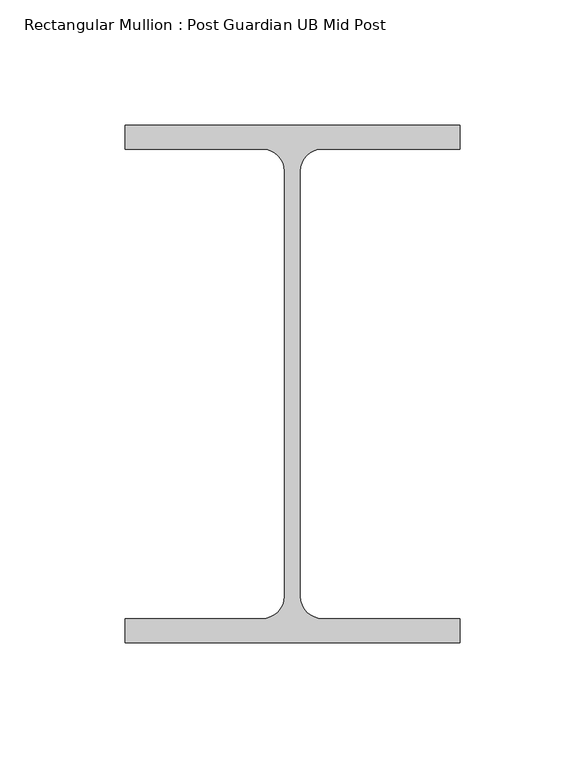
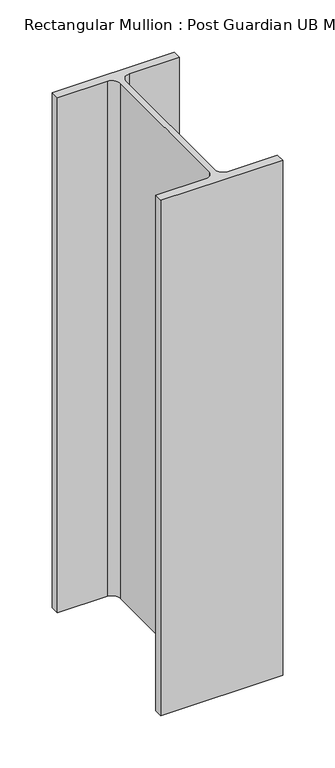
"""IFC4 building model written with IfcOpenShell, lengths in millimetres: member geometry, Rectangular Mullion : Post Guardian UB Mid Post."""

from ifc_helpers import new_model, si_unit, point, frame, frame_2d, origin, place, context, project, spatial, polyline, circle_curve, trimmed, segment, composite_curve, outline, extrude, source, transform, mapped, element, save


def rectangular_mullion_post_guardian_ub_mid_post_359ce71a(model_context):
    return source(origin(), model_context, "Body", "SweptSolid", [
        extrude(outline(composite_curve([segment(polyline([(3.15, 85.0000066), (3.15, -85.0000066)]), True, "CONTINUOUS"), segment(trimmed(circle_curve(frame_2d((12.0499934, -85.0000066)), 8.8999934), [point((3.15, -85.0000066))], [point((12.0499934, -93.9))], True, "CARTESIAN"), True, "CONTINUOUS"), segment(polyline([(12.0499934, -93.9), (67.0, -93.9), (67.0, -103.5), (-67.0, -103.5), (-67.0, -93.9), (-12.0499934, -93.9)]), True, "CONTINUOUS"), segment(trimmed(circle_curve(frame_2d((-12.0499934, -85.0000066)), 8.8999934), [point((-12.0499934, -93.9))], [point((-3.15, -85.0000066))], True, "CARTESIAN"), True, "CONTINUOUS"), segment(polyline([(-3.15, -85.0000066), (-3.15, 85.0000066)]), True, "CONTINUOUS"), segment(trimmed(circle_curve(frame_2d((-12.0499934, 85.0000066)), 8.8999934), [point((-3.15, 85.0000066))], [point((-12.0499934, 93.9))], True, "CARTESIAN"), True, "CONTINUOUS"), segment(polyline([(-12.0499934, 93.9), (-67.0, 93.9), (-67.0, 103.5), (67.0, 103.5), (67.0, 93.9), (12.0499934, 93.9)]), True, "CONTINUOUS"), segment(trimmed(circle_curve(frame_2d((12.0499934, 85.0000066)), 8.8999934), [point((12.0499934, 93.9))], [point((3.15, 85.0000066))], True, "CARTESIAN"), True, "CONTINUOUS")], self_intersect=False)), frame((0.0, 0.0, -600.0), z_axis=(0.0, 0.0, 1.0), x_axis=(1.0, 0.0, 0.0)), (0.0, 0.0, 1.0), 600.0),
    ])


if __name__ == "__main__":
    model = new_model("IFC4")
    model_context = context("Model", 3, world=origin())
    ifc_project = project(units=[si_unit("LENGTHUNIT", "METRE", prefix="MILLI")], contexts=[model_context])
    site = spatial("IfcSite", under=ifc_project)
    building = spatial("IfcBuilding", under=site)
    placement = place(None, origin())
    rectangular_mullion_post_guardian_ub_mid_post_shape = rectangular_mullion_post_guardian_ub_mid_post_359ce71a(model_context)
    element("IfcMember", 1, ObjectType="Rectangular Mullion : Post Guardian UB Mid Post", at=placement, inside=building, context=model_context, shape_type="MappedRepresentation", body=[
        mapped(rectangular_mullion_post_guardian_ub_mid_post_shape, transform((0.0, 0.0, 0.0), x_axis=(1.0, 0.0, 0.0), y_axis=(0.0, 1.0, 0.0), z_axis=(0.0, 0.0, 1.0))),
    ])
    save(model, "model.ifc")
